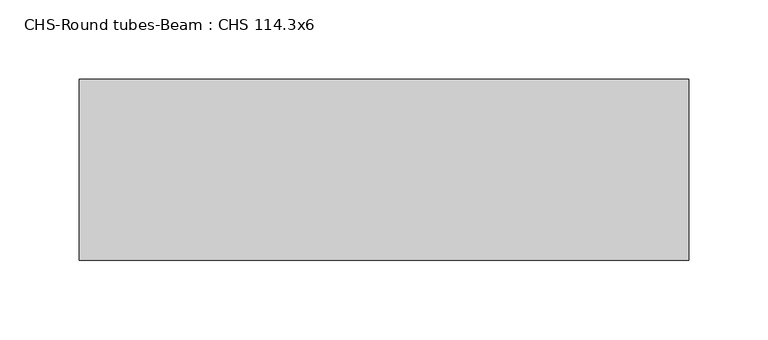
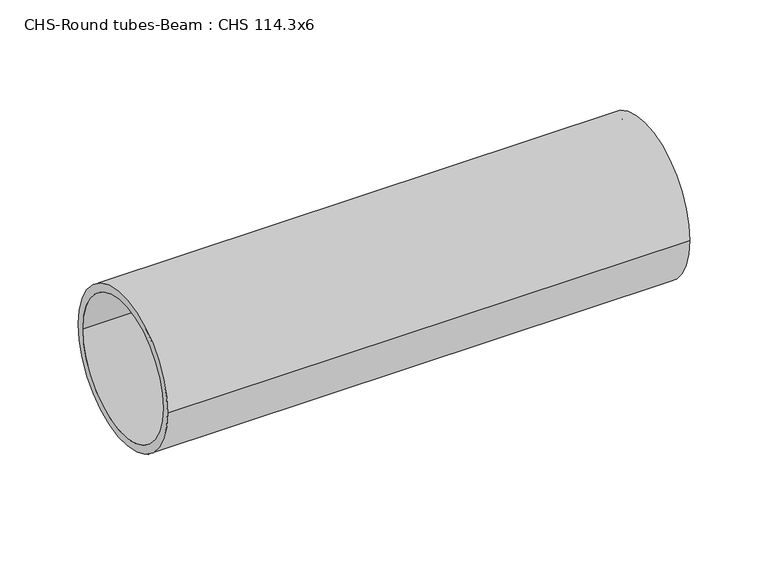
"""IFC4 building model written with IfcOpenShell, lengths in millimetres: beam geometry, CHS-Round tubes-Beam : CHS 114.3x6."""

from ifc_helpers import new_model, si_unit, point, frame, origin, origin_2d, place, context, project, spatial, circle_curve, trimmed, segment, composite_curve, outline, extrude, source, transform, mapped, element, save


def chs_round_tubes_beam_chs_114_3x6_98fa5f36(model_context):
    return source(origin(), model_context, "Body", "SweptSolid", [
        extrude(outline(composite_curve([segment(trimmed(circle_curve(origin_2d(), 57.15), [point((57.15, 0.0))], [point((-57.15, 0.0))], False, "CARTESIAN"), True, "CONTINUOUS"), segment(trimmed(circle_curve(origin_2d(), 57.15), [point((-57.15, 0.0))], [point((57.15, 0.0))], False, "CARTESIAN"), True, "CONTINUOUS")], self_intersect=False), holes=[composite_curve([segment(trimmed(circle_curve(origin_2d(), 51.15), [point((51.15, 0.0))], [point((-51.15, 0.0))], True, "CARTESIAN"), True, "CONTINUOUS"), segment(trimmed(circle_curve(origin_2d(), 51.15), [point((-51.15, 0.0))], [point((51.15, 0.0))], True, "CARTESIAN"), True, "CONTINUOUS")], self_intersect=False)]), frame((-254.9236313, 0.0, 0.0), z_axis=(1.0, 0.0, 0.0), x_axis=(0.0, 1.0, 0.0)), (0.0, 0.0, 1.0), 384.7608341),
    ])


if __name__ == "__main__":
    model = new_model("IFC4")
    model_context = context("Model", 3, world=origin())
    ifc_project = project(units=[si_unit("LENGTHUNIT", "METRE", prefix="MILLI")], contexts=[model_context])
    site = spatial("IfcSite", under=ifc_project)
    building = spatial("IfcBuilding", under=site)
    placement = place(None, origin())
    chs_round_tubes_beam_chs_114_3x6_shape = chs_round_tubes_beam_chs_114_3x6_98fa5f36(model_context)
    element("IfcBeam", 1, ObjectType="CHS-Round tubes-Beam : CHS 114.3x6", at=placement, inside=building, context=model_context, shape_type="MappedRepresentation", body=[
        mapped(chs_round_tubes_beam_chs_114_3x6_shape, transform((0.0, 0.0, 0.0), x_axis=(1.0, 0.0, 0.0), y_axis=(0.0, 1.0, 0.0), z_axis=(0.0, 0.0, 1.0))),
    ])
    save(model, "model.ifc")
